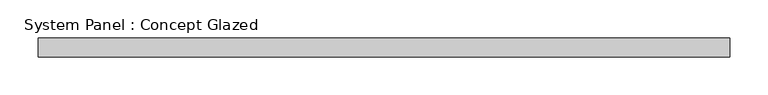
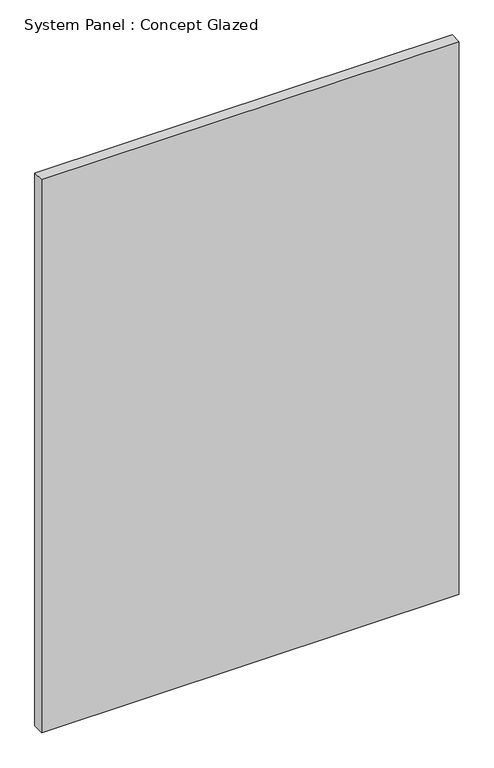
"""IFC4 building model written with IfcOpenShell, lengths in millimetres: plate geometry, System Panel : Concept Glazed."""

from ifc_helpers import new_model, si_unit, origin, origin_with_axes, place, context, project, spatial, polyline, outline, extrude, source, transform, mapped, element, save


def system_panel_concept_glazed_d806c2f4(model_context):
    return source(origin(), model_context, "Body", "SweptSolid", [
        extrude(outline(polyline([(454.375, 0.0), (-454.375, 0.0), (-454.375, 25.0), (454.375, 25.0), (454.375, 0.0)])), origin_with_axes(), (0.0, 0.0, 1.0), 1271.8941641),
    ])


if __name__ == "__main__":
    model = new_model("IFC4")
    model_context = context("Model", 3, world=origin())
    ifc_project = project(units=[si_unit("LENGTHUNIT", "METRE", prefix="MILLI")], contexts=[model_context])
    site = spatial("IfcSite", under=ifc_project)
    building = spatial("IfcBuilding", under=site)
    placement = place(None, origin())
    system_panel_concept_glazed_shape = system_panel_concept_glazed_d806c2f4(model_context)
    element("IfcPlate", 1, ObjectType="System Panel : Concept Glazed", at=placement, inside=building, context=model_context, shape_type="MappedRepresentation", body=[
        mapped(system_panel_concept_glazed_shape, transform((0.0, 0.0, 0.0), x_axis=(1.0, 0.0, 0.0), y_axis=(0.0, 1.0, 0.0), z_axis=(0.0, 0.0, 1.0))),
    ])
    save(model, "model.ifc")
